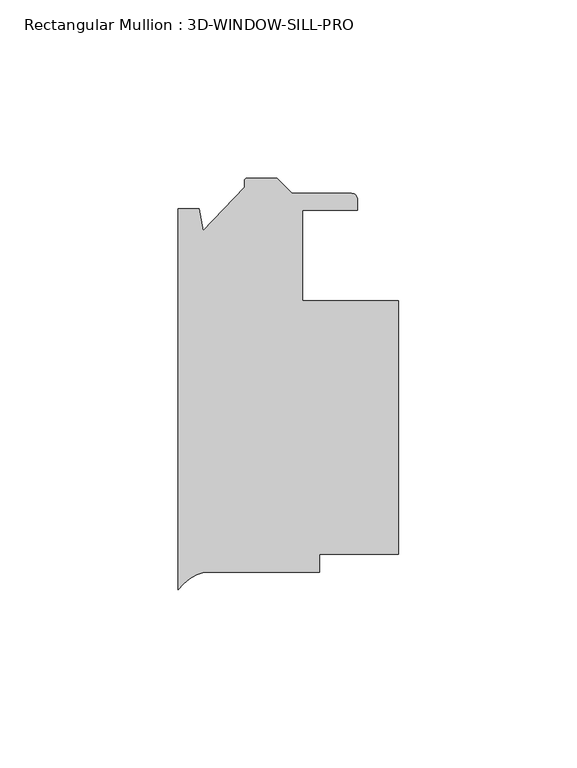
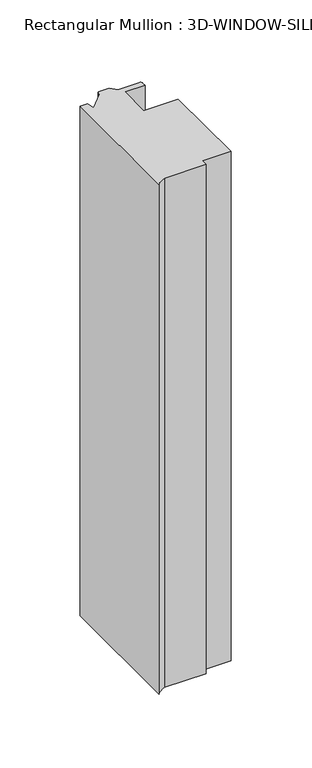
"""IFC4 building model written with IfcOpenShell, lengths in millimetres: member geometry, Rectangular Mullion : 3D-WINDOW-SILL-PRO."""

import ifcopenshell
import ifcopenshell.guid

model = None  # the IFC model being written
_history = None  # IfcOwnerHistory: only IFC2X3 demands one
_inside = {}  # id of a spatial element -> (the spatial element, [elements in it])
_under = {}  # id of a project, library or spatial element -> (it, [spatial elements below it])
_declared = {}  # id of a project -> (the project, [libraries it declares])
_typed = {}  # id of a type object -> (the type object, [elements of that type])
_made_of = {}  # id of a material, layer set ... -> (it, [elements and type objects made of it])


def new_model(schema):
    """Start an empty IFC model of exactly this schema.

    Asked for "IFC4X3", IfcOpenShell would pick the latest addendum, in which some entities
    have other attributes; the version numbers below select the first issue.
    IFC2X3 requires an IfcOwnerHistory on every rooted entity: one is made here for all.
    """
    global model, _history
    if schema == "IFC4X3":
        model = ifcopenshell.file(schema_version=(4, 3, 0, 0))
    else:
        model = ifcopenshell.file(schema=schema)
    _inside.clear()
    _under.clear()
    _declared.clear()
    _typed.clear()
    _made_of.clear()
    _history = None
    if model.schema == "IFC2X3":
        org = make("IfcOrganization", Name="unknown")
        user = make(
            "IfcPersonAndOrganization",
            ThePerson=make("IfcPerson", FamilyName="unknown"),
            TheOrganization=org,
        )
        app = make(
            "IfcApplication",
            ApplicationDeveloper=org,
            Version="unknown",
            ApplicationFullName="unknown",
            ApplicationIdentifier="unknown",
        )
        _history = make(
            "IfcOwnerHistory",
            OwningUser=user,
            OwningApplication=app,
            ChangeAction="ADDED",
            CreationDate=0,
        )
    return model


def make(cls, **values):
    """One entity of the class cls with the attributes given. An attribute that is None is left unset."""
    return model.create_entity(
        cls, **{name: value for name, value in values.items() if value is not None}
    )


def rooted(cls, **values):
    """An entity with a GlobalId (a new one), such as an element, a storey or a relation."""
    return make(cls, GlobalId=ifcopenshell.guid.new(), OwnerHistory=_history, **values)


def si_unit(unit_type, name, prefix=None):
    """IfcSIUnit, for example si_unit("LENGTHUNIT", "METRE", prefix="MILLI")."""
    return make("IfcSIUnit", UnitType=unit_type, Prefix=prefix, Name=name)


def assignment(units):
    """IfcUnitAssignment: the units of a project."""
    return None if units is None else make("IfcUnitAssignment", Units=units)


def point(xyz):
    """IfcCartesianPoint."""
    return None if xyz is None else make("IfcCartesianPoint", Coordinates=xyz)


def direction(xyz):
    """IfcDirection."""
    return None if xyz is None else make("IfcDirection", DirectionRatios=xyz)


def frame(location, z_axis=None, x_axis=None):
    """IfcAxis2Placement3D, a coordinate frame: its origin and axes. An axis left out is left unset."""
    return make(
        "IfcAxis2Placement3D",
        Location=point(location),
        Axis=direction(z_axis),
        RefDirection=direction(x_axis),
    )


def frame_2d(location, x_axis=None):
    """IfcAxis2Placement2D, a coordinate frame in the plane: its origin and x axis."""
    return make(
        "IfcAxis2Placement2D", Location=point(location), RefDirection=direction(x_axis)
    )


def origin():
    """The frame at (0, 0, 0) with its axes left unset."""
    return frame((0.0, 0.0, 0.0))


def place(relative_to, where):
    """IfcLocalPlacement: puts the frame where relative to a parent placement (None: the world)."""
    return make(
        "IfcLocalPlacement", PlacementRelTo=relative_to, RelativePlacement=where
    )


def context(
    kind, dimensions, precision=None, world=None, true_north=None, identifier=None
):
    """IfcGeometricRepresentationContext, for example the 3D "Model" context."""
    return make(
        "IfcGeometricRepresentationContext",
        ContextIdentifier=identifier,
        ContextType=kind,
        CoordinateSpaceDimension=dimensions,
        Precision=precision,
        WorldCoordinateSystem=world,
        TrueNorth=true_north,
    )


def project(units=None, contexts=None):
    """IfcProject with its units and contexts."""
    return rooted(
        "IfcProject",
        Name="project",
        RepresentationContexts=contexts,
        UnitsInContext=assignment(units),
    )


def spatial(cls, under=None, at=None, **own):
    """A site, building, storey or space (cls), placed at a placement, below another one or the project."""
    s = rooted(cls, ObjectPlacement=at, **own)
    if under is not None:
        _under.setdefault(under.id(), (under, []))[1].append(s)
    return s


def polyline(points):
    """IfcPolyline through the points."""
    return make("IfcPolyline", Points=[point(p) for p in points])


def circle_curve(where, radius):
    """IfcCircle in the frame where."""
    return make("IfcCircle", Position=where, Radius=radius)


def trimmed(basis, trim1, trim2, sense, master):
    """IfcTrimmedCurve: the piece of a basis curve between two trims."""
    return make(
        "IfcTrimmedCurve",
        BasisCurve=basis,
        Trim1=trim1,
        Trim2=trim2,
        SenseAgreement=sense,
        MasterRepresentation=master,
    )


def segment(curve, same_sense, transition):
    """IfcCompositeCurveSegment."""
    return make(
        "IfcCompositeCurveSegment",
        Transition=transition,
        SameSense=same_sense,
        ParentCurve=curve,
    )


def composite_curve(segments, self_intersect=None):
    """IfcCompositeCurve: segments joined end to end."""
    return make("IfcCompositeCurve", Segments=segments, SelfIntersect=self_intersect)


def outline(outer, holes=None, kind="AREA"):
    """IfcArbitraryClosedProfileDef: a profile drawn as a closed curve; with holes, ...WithVoids."""
    if holes is None:
        return make("IfcArbitraryClosedProfileDef", ProfileType=kind, OuterCurve=outer)
    return make(
        "IfcArbitraryProfileDefWithVoids",
        ProfileType=kind,
        OuterCurve=outer,
        InnerCurves=holes,
    )


def extrude(swept, where, along, depth):
    """IfcExtrudedAreaSolid: the profile swept, set in the frame where, extruded along a direction by depth."""
    return make(
        "IfcExtrudedAreaSolid",
        SweptArea=swept,
        Position=where,
        ExtrudedDirection=direction(along),
        Depth=depth,
    )


def shape(context_of_items, identifier, shape_type, items):
    """IfcShapeRepresentation: the items that make up one representation, for example the "Body"."""
    return make(
        "IfcShapeRepresentation",
        ContextOfItems=context_of_items,
        RepresentationIdentifier=identifier,
        RepresentationType=shape_type,
        Items=items,
    )


def source(mapping_origin, context_of_items, identifier, shape_type, items):
    """IfcRepresentationMap: a shape defined once, which mapped items show again and again."""
    return make(
        "IfcRepresentationMap",
        MappingOrigin=mapping_origin,
        MappedRepresentation=shape(context_of_items, identifier, shape_type, items),
    )


def transform(
    local_origin,
    x_axis=None,
    y_axis=None,
    z_axis=None,
    scale=None,
    scale2=None,
    scale3=None,
    uniform=True,
):
    """IfcCartesianTransformationOperator3D, or its non-uniform kind. x_axis, y_axis, z_axis: its Axis1, 2, 3."""
    if uniform:
        return make(
            "IfcCartesianTransformationOperator3D",
            Axis1=direction(x_axis),
            Axis2=direction(y_axis),
            LocalOrigin=point(local_origin),
            Scale=scale,
            Axis3=direction(z_axis),
        )
    return make(
        "IfcCartesianTransformationOperator3DnonUniform",
        Axis1=direction(x_axis),
        Axis2=direction(y_axis),
        LocalOrigin=point(local_origin),
        Scale=scale,
        Axis3=direction(z_axis),
        Scale2=scale2,
        Scale3=scale3,
    )


def mapped(mapping_source, mapping_target):
    """IfcMappedItem: shows the shape of a source again, moved by a transform."""
    return make(
        "IfcMappedItem", MappingSource=mapping_source, MappingTarget=mapping_target
    )


def made_of(thing, what):
    """Note that an element or type object is made of a material, layer set ...; save() writes the relation."""
    if what is not None:
        _made_of.setdefault(what.id(), (what, []))[1].append(thing)
    return thing


def element(
    cls,
    number,
    at=None,
    inside=None,
    cuts=None,
    type_object=None,
    material=None,
    context=None,
    identifier="Body",
    shape_type=None,
    held_by="IfcProductDefinitionShape",
    body=None,
    shapes=None,
    **own,
):
    """One element of the class cls, such as IfcWall. Its Tag is "e" and its number.

    at: its placement. inside: the storey or other place that contains it. cuts: it is an
    opening in that element (IfcRelVoidsElement). A single representation is given by context,
    identifier, shape_type and body (its items); several are given by shapes. held_by: the class
    of the entity that holds the representations. save() writes the other relations.
    """
    e = rooted(cls, Tag="e%d" % number, ObjectPlacement=at, **own)
    if body is not None:
        shapes = [shape(context, identifier, shape_type, body)]
    if shapes is not None:
        e.Representation = make(held_by, Representations=shapes)
    if inside is not None:
        _inside.setdefault(inside.id(), (inside, []))[1].append(e)
    if cuts is not None:
        rooted(
            "IfcRelVoidsElement", RelatingBuildingElement=cuts, RelatedOpeningElement=e
        )
    if type_object is not None:
        _typed.setdefault(type_object.id(), (type_object, []))[1].append(e)
    return made_of(e, material)


def aggregate(whole, parts):
    """IfcRelAggregates: a whole, such as a stair, and the parts it consists of."""
    return rooted("IfcRelAggregates", RelatingObject=whole, RelatedObjects=parts)


def save(model, path):
    """Write the relations noted so far, then the file.

    IfcRelAggregates (storeys below a building ...), IfcRelContainedInSpatialStructure (elements
    in a storey), IfcRelDefinesByType, IfcRelAssociatesMaterial and IfcRelDeclares: one each for
    every whole, place, type object, material and project.
    """
    for whole, parts in _under.values():
        aggregate(whole, parts)
    for where, things in _inside.values():
        rooted(
            "IfcRelContainedInSpatialStructure",
            RelatedElements=things,
            RelatingStructure=where,
        )
    for kind, things in _typed.values():
        rooted("IfcRelDefinesByType", RelatedObjects=things, RelatingType=kind)
    for what, things in _made_of.values():
        rooted("IfcRelAssociatesMaterial", RelatedObjects=things, RelatingMaterial=what)
    for by, libraries in _declared.values():
        rooted("IfcRelDeclares", RelatingContext=by, RelatedDefinitions=libraries)
    model.write(path)


def rectangular_mullion_3d_window_sill_pro_6350bae3(model_context):
    return source(origin(), model_context, "Body", "SweptSolid", [
        extrude(outline(composite_curve([segment(polyline([(61.9125, -24.9396251), (39.6875, -24.9396251), (39.6875, -30.0196251), (7.2925126, -30.0196251)]), True, "CONTINUOUS"), segment(trimmed(circle_curve(frame_2d((10.8196816, -43.2504388)), 13.6928942), [point((7.2925126, -30.0196251))], [point((0.0, -34.8581899))], True, "CARTESIAN"), True, "CONTINUOUS"), segment(polyline([(0.0, -34.8581899), (0.0, 72.0407298), (5.951327, 72.0407298), (7.0515961, 65.8007939), (18.6761495, 78.006575), (18.6761495, 79.7845749)]), True, "CONTINUOUS"), segment(trimmed(circle_curve(frame_2d((19.4381495, 79.7845749)), 0.762), [point((18.6761495, 79.7845749))], [point((19.4381495, 80.5465749))], False, "CARTESIAN"), True, "CONTINUOUS"), segment(polyline([(19.4381495, 80.5465749), (27.7764417, 80.5465749), (32.0436417, 76.2793749), (48.6481495, 76.2793749)]), True, "CONTINUOUS"), segment(trimmed(circle_curve(frame_2d((48.6481495, 74.5013749)), 1.778), [point((48.6481495, 76.2793749))], [point((50.4261495, 74.5013749))], False, "CARTESIAN"), True, "CONTINUOUS"), segment(polyline([(50.4261495, 74.5013749), (50.4261495, 71.5803747), (34.925, 71.5803747), (34.925, 46.1803747), (61.9125, 46.1803747), (61.9125, -24.9396251)]), True, "CONTINUOUS")], self_intersect=False)), frame((0.0, 0.0, -420.775903), z_axis=(0.0, 0.0, 1.0), x_axis=(1.0, 0.0, 0.0)), (0.0, 0.0, 1.0), 420.775903),
    ])


if __name__ == "__main__":
    model = new_model("IFC4")
    model_context = context("Model", 3, world=origin())
    ifc_project = project(units=[si_unit("LENGTHUNIT", "METRE", prefix="MILLI")], contexts=[model_context])
    site = spatial("IfcSite", under=ifc_project)
    building = spatial("IfcBuilding", under=site)
    placement = place(None, origin())
    rectangular_mullion_3d_window_sill_pro_shape = rectangular_mullion_3d_window_sill_pro_6350bae3(model_context)
    element("IfcMember", 1, ObjectType="Rectangular Mullion : 3D-WINDOW-SILL-PRO", at=placement, inside=building, context=model_context, shape_type="MappedRepresentation", body=[
        mapped(rectangular_mullion_3d_window_sill_pro_shape, transform((0.0, 0.0, 0.0), x_axis=(1.0, 0.0, 0.0), y_axis=(0.0, 1.0, 0.0), z_axis=(0.0, 0.0, 1.0))),
    ])
    save(model, "model.ifc")
